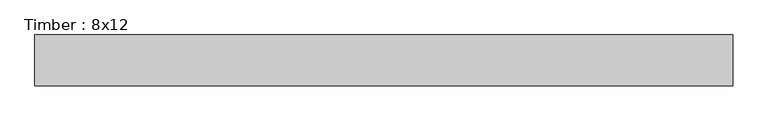
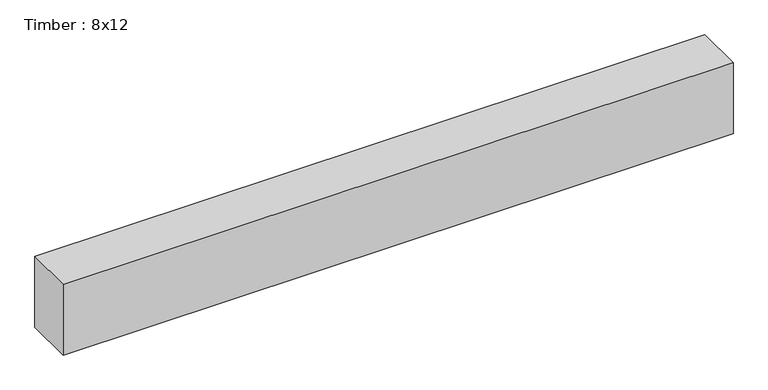
"""IFC4 building model written with IfcOpenShell, lengths in millimetres: beam geometry, Timber : 8x12."""

import ifcopenshell
import ifcopenshell.guid

model = None  # the IFC model being written
_history = None  # IfcOwnerHistory: only IFC2X3 demands one
_inside = {}  # id of a spatial element -> (the spatial element, [elements in it])
_under = {}  # id of a project, library or spatial element -> (it, [spatial elements below it])
_declared = {}  # id of a project -> (the project, [libraries it declares])
_typed = {}  # id of a type object -> (the type object, [elements of that type])
_made_of = {}  # id of a material, layer set ... -> (it, [elements and type objects made of it])


def new_model(schema):
    """Start an empty IFC model of exactly this schema.

    Asked for "IFC4X3", IfcOpenShell would pick the latest addendum, in which some entities
    have other attributes; the version numbers below select the first issue.
    IFC2X3 requires an IfcOwnerHistory on every rooted entity: one is made here for all.
    """
    global model, _history
    if schema == "IFC4X3":
        model = ifcopenshell.file(schema_version=(4, 3, 0, 0))
    else:
        model = ifcopenshell.file(schema=schema)
    _inside.clear()
    _under.clear()
    _declared.clear()
    _typed.clear()
    _made_of.clear()
    _history = None
    if model.schema == "IFC2X3":
        org = make("IfcOrganization", Name="unknown")
        user = make(
            "IfcPersonAndOrganization",
            ThePerson=make("IfcPerson", FamilyName="unknown"),
            TheOrganization=org,
        )
        app = make(
            "IfcApplication",
            ApplicationDeveloper=org,
            Version="unknown",
            ApplicationFullName="unknown",
            ApplicationIdentifier="unknown",
        )
        _history = make(
            "IfcOwnerHistory",
            OwningUser=user,
            OwningApplication=app,
            ChangeAction="ADDED",
            CreationDate=0,
        )
    return model


def make(cls, **values):
    """One entity of the class cls with the attributes given. An attribute that is None is left unset."""
    return model.create_entity(
        cls, **{name: value for name, value in values.items() if value is not None}
    )


def rooted(cls, **values):
    """An entity with a GlobalId (a new one), such as an element, a storey or a relation."""
    return make(cls, GlobalId=ifcopenshell.guid.new(), OwnerHistory=_history, **values)


def si_unit(unit_type, name, prefix=None):
    """IfcSIUnit, for example si_unit("LENGTHUNIT", "METRE", prefix="MILLI")."""
    return make("IfcSIUnit", UnitType=unit_type, Prefix=prefix, Name=name)


def assignment(units):
    """IfcUnitAssignment: the units of a project."""
    return None if units is None else make("IfcUnitAssignment", Units=units)


def point(xyz):
    """IfcCartesianPoint."""
    return None if xyz is None else make("IfcCartesianPoint", Coordinates=xyz)


def direction(xyz):
    """IfcDirection."""
    return None if xyz is None else make("IfcDirection", DirectionRatios=xyz)


def frame(location, z_axis=None, x_axis=None):
    """IfcAxis2Placement3D, a coordinate frame: its origin and axes. An axis left out is left unset."""
    return make(
        "IfcAxis2Placement3D",
        Location=point(location),
        Axis=direction(z_axis),
        RefDirection=direction(x_axis),
    )


def origin():
    """The frame at (0, 0, 0) with its axes left unset."""
    return frame((0.0, 0.0, 0.0))


def place(relative_to, where):
    """IfcLocalPlacement: puts the frame where relative to a parent placement (None: the world)."""
    return make(
        "IfcLocalPlacement", PlacementRelTo=relative_to, RelativePlacement=where
    )


def context(
    kind, dimensions, precision=None, world=None, true_north=None, identifier=None
):
    """IfcGeometricRepresentationContext, for example the 3D "Model" context."""
    return make(
        "IfcGeometricRepresentationContext",
        ContextIdentifier=identifier,
        ContextType=kind,
        CoordinateSpaceDimension=dimensions,
        Precision=precision,
        WorldCoordinateSystem=world,
        TrueNorth=true_north,
    )


def project(units=None, contexts=None):
    """IfcProject with its units and contexts."""
    return rooted(
        "IfcProject",
        Name="project",
        RepresentationContexts=contexts,
        UnitsInContext=assignment(units),
    )


def spatial(cls, under=None, at=None, **own):
    """A site, building, storey or space (cls), placed at a placement, below another one or the project."""
    s = rooted(cls, ObjectPlacement=at, **own)
    if under is not None:
        _under.setdefault(under.id(), (under, []))[1].append(s)
    return s


def polyline(points):
    """IfcPolyline through the points."""
    return make("IfcPolyline", Points=[point(p) for p in points])


def outline(outer, holes=None, kind="AREA"):
    """IfcArbitraryClosedProfileDef: a profile drawn as a closed curve; with holes, ...WithVoids."""
    if holes is None:
        return make("IfcArbitraryClosedProfileDef", ProfileType=kind, OuterCurve=outer)
    return make(
        "IfcArbitraryProfileDefWithVoids",
        ProfileType=kind,
        OuterCurve=outer,
        InnerCurves=holes,
    )


def extrude(swept, where, along, depth):
    """IfcExtrudedAreaSolid: the profile swept, set in the frame where, extruded along a direction by depth."""
    return make(
        "IfcExtrudedAreaSolid",
        SweptArea=swept,
        Position=where,
        ExtrudedDirection=direction(along),
        Depth=depth,
    )


def shape(context_of_items, identifier, shape_type, items):
    """IfcShapeRepresentation: the items that make up one representation, for example the "Body"."""
    return make(
        "IfcShapeRepresentation",
        ContextOfItems=context_of_items,
        RepresentationIdentifier=identifier,
        RepresentationType=shape_type,
        Items=items,
    )


def source(mapping_origin, context_of_items, identifier, shape_type, items):
    """IfcRepresentationMap: a shape defined once, which mapped items show again and again."""
    return make(
        "IfcRepresentationMap",
        MappingOrigin=mapping_origin,
        MappedRepresentation=shape(context_of_items, identifier, shape_type, items),
    )


def transform(
    local_origin,
    x_axis=None,
    y_axis=None,
    z_axis=None,
    scale=None,
    scale2=None,
    scale3=None,
    uniform=True,
):
    """IfcCartesianTransformationOperator3D, or its non-uniform kind. x_axis, y_axis, z_axis: its Axis1, 2, 3."""
    if uniform:
        return make(
            "IfcCartesianTransformationOperator3D",
            Axis1=direction(x_axis),
            Axis2=direction(y_axis),
            LocalOrigin=point(local_origin),
            Scale=scale,
            Axis3=direction(z_axis),
        )
    return make(
        "IfcCartesianTransformationOperator3DnonUniform",
        Axis1=direction(x_axis),
        Axis2=direction(y_axis),
        LocalOrigin=point(local_origin),
        Scale=scale,
        Axis3=direction(z_axis),
        Scale2=scale2,
        Scale3=scale3,
    )


def mapped(mapping_source, mapping_target):
    """IfcMappedItem: shows the shape of a source again, moved by a transform."""
    return make(
        "IfcMappedItem", MappingSource=mapping_source, MappingTarget=mapping_target
    )


def made_of(thing, what):
    """Note that an element or type object is made of a material, layer set ...; save() writes the relation."""
    if what is not None:
        _made_of.setdefault(what.id(), (what, []))[1].append(thing)
    return thing


def element(
    cls,
    number,
    at=None,
    inside=None,
    cuts=None,
    type_object=None,
    material=None,
    context=None,
    identifier="Body",
    shape_type=None,
    held_by="IfcProductDefinitionShape",
    body=None,
    shapes=None,
    **own,
):
    """One element of the class cls, such as IfcWall. Its Tag is "e" and its number.

    at: its placement. inside: the storey or other place that contains it. cuts: it is an
    opening in that element (IfcRelVoidsElement). A single representation is given by context,
    identifier, shape_type and body (its items); several are given by shapes. held_by: the class
    of the entity that holds the representations. save() writes the other relations.
    """
    e = rooted(cls, Tag="e%d" % number, ObjectPlacement=at, **own)
    if body is not None:
        shapes = [shape(context, identifier, shape_type, body)]
    if shapes is not None:
        e.Representation = make(held_by, Representations=shapes)
    if inside is not None:
        _inside.setdefault(inside.id(), (inside, []))[1].append(e)
    if cuts is not None:
        rooted(
            "IfcRelVoidsElement", RelatingBuildingElement=cuts, RelatedOpeningElement=e
        )
    if type_object is not None:
        _typed.setdefault(type_object.id(), (type_object, []))[1].append(e)
    return made_of(e, material)


def aggregate(whole, parts):
    """IfcRelAggregates: a whole, such as a stair, and the parts it consists of."""
    return rooted("IfcRelAggregates", RelatingObject=whole, RelatedObjects=parts)


def save(model, path):
    """Write the relations noted so far, then the file.

    IfcRelAggregates (storeys below a building ...), IfcRelContainedInSpatialStructure (elements
    in a storey), IfcRelDefinesByType, IfcRelAssociatesMaterial and IfcRelDeclares: one each for
    every whole, place, type object, material and project.
    """
    for whole, parts in _under.values():
        aggregate(whole, parts)
    for where, things in _inside.values():
        rooted(
            "IfcRelContainedInSpatialStructure",
            RelatedElements=things,
            RelatingStructure=where,
        )
    for kind, things in _typed.values():
        rooted("IfcRelDefinesByType", RelatedObjects=things, RelatingType=kind)
    for what, things in _made_of.values():
        rooted("IfcRelAssociatesMaterial", RelatedObjects=things, RelatingMaterial=what)
    for by, libraries in _declared.values():
        rooted("IfcRelDeclares", RelatingContext=by, RelatedDefinitions=libraries)
    model.write(path)


def timber_8x12_2987ea30(model_context):
    return source(origin(), model_context, "Body", "SweptSolid", [
        extrude(outline(polyline([(1308.1, 95.25), (1308.1, -95.25), (-1308.1, -95.25), (-1308.1, 95.25), (1308.1, 95.25)])), frame((0.0, 0.0, -146.05), z_axis=(0.0, 0.0, 1.0), x_axis=(1.0, 0.0, 0.0)), (0.0, 0.0, 1.0), 292.1),
    ])


if __name__ == "__main__":
    model = new_model("IFC4")
    model_context = context("Model", 3, world=origin())
    ifc_project = project(units=[si_unit("LENGTHUNIT", "METRE", prefix="MILLI")], contexts=[model_context])
    site = spatial("IfcSite", under=ifc_project)
    building = spatial("IfcBuilding", under=site)
    placement = place(None, origin())
    timber_8x12_shape = timber_8x12_2987ea30(model_context)
    element("IfcBeam", 1, ObjectType="Timber : 8x12", at=placement, inside=building, context=model_context, shape_type="MappedRepresentation", body=[
        mapped(timber_8x12_shape, transform((0.0, 0.0, 0.0), x_axis=(1.0, 0.0, 0.0), y_axis=(0.0, 1.0, 0.0), z_axis=(0.0, 0.0, 1.0))),
    ])
    save(model, "model.ifc")
